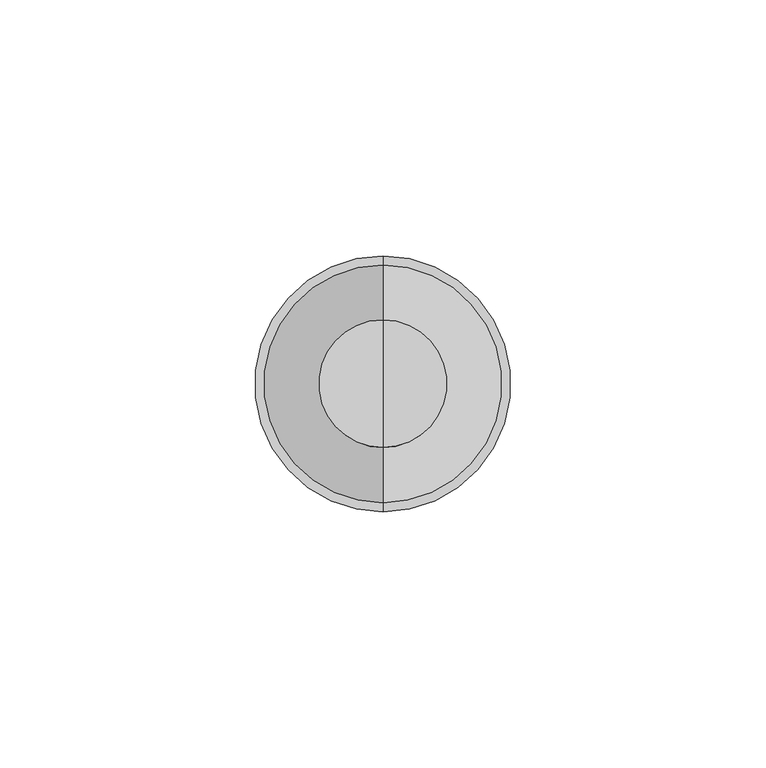
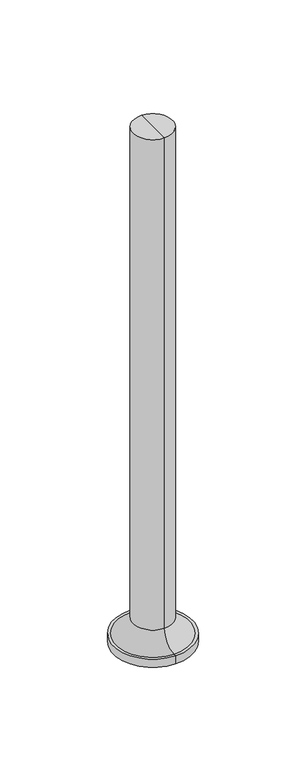
"""IFC4 building model written with IfcOpenShell, lengths in millimetres: furniture geometry."""

from ifc_helpers import new_model, si_unit, point, frame, origin, place, context, project, spatial, circle_curve, ellipse_curve, trimmed, source, transform, mapped, element, save
from ifc_brep_helpers import plane_surface, cylinder_surface, revolved_surface, advanced_brep


def furniture_17441bcd(model_context):
    return source(origin(), model_context, "Body", "AdvancedBrep", [
        advanced_brep(
        [(-542.9813638, 250.0000031, 0.0), (-542.9813638, 225.0000031, 0.0), (-542.9813638, 275.0000031, 0.0), (-542.9813638, 262.4715672, 344.8637637), (-542.9813638, 237.5284391, 344.8637637), (-542.9813638, 250.0000031, 344.8637637), (-542.9813638, 262.4715672, 16.2604994), (-542.9813638, 237.5284391, 16.2604994), (-542.9813638, 273.2294713, 5.5025953), (-542.9813638, 226.770535, 5.5025953), (-542.9813638, 275.0000031, 5.5025953), (-542.9813638, 225.0000031, 5.5025953)],
        [
            (0, 1),
            (1, 2, circle_curve(frame((-542.9813638, 250.0000031, 0.0), z_axis=(0.0, 0.0, -1.0), x_axis=(0.0, -1.0, 0.0)), 25.0)),
            (2, 0),
            (2, 1, circle_curve(frame((-542.9813638, 250.0000031, 0.0), z_axis=(0.0, 0.0, -1.0), x_axis=(0.0, -1.0, 0.0)), 25.0)),
            (3, 4, circle_curve(frame((-542.9813638, 250.0000031, 344.8637637), z_axis=(0.0, 0.0, 1.0), x_axis=(0.0, -1.0, 0.0)), 12.471564)),
            (4, 5),
            (5, 3),
            (4, 3, circle_curve(frame((-542.9813638, 250.0000031, 344.8637637), z_axis=(0.0, 0.0, 1.0), x_axis=(0.0, -1.0, 0.0)), 12.471564)),
            (6, 7, circle_curve(frame((-542.9813638, 250.0000031, 16.2604994), z_axis=(0.0, 0.0, 1.0), x_axis=(0.0, -1.0, 0.0)), 12.471564)),
            (7, 4),
            (3, 6),
            (7, 6, circle_curve(frame((-542.9813638, 250.0000031, 16.2604994), z_axis=(0.0, 0.0, 1.0), x_axis=(0.0, -1.0, 0.0)), 12.471564)),
            (8, 9, circle_curve(frame((-542.9813638, 250.0000031, 5.5025953), z_axis=(0.0, 0.0, 1.0), x_axis=(0.0, -1.0, 0.0)), 23.2294681)),
            (9, 7, circle_curve(frame((-542.9813638, 226.770535, 16.2604994), z_axis=(1.0, 0.0, 0.0), x_axis=(0.0, -1.0, 0.0)), 10.7579041)),
            (6, 8, circle_curve(frame((-542.9813638, 273.2294713, 16.2604994), z_axis=(1.0, 0.0, 0.0), x_axis=(0.0, 1.0, 0.0)), 10.7579041)),
            (9, 8, circle_curve(frame((-542.9813638, 250.0000031, 5.5025953), z_axis=(0.0, 0.0, 1.0), x_axis=(0.0, -1.0, 0.0)), 23.2294681)),
            (10, 11, circle_curve(frame((-542.9813638, 250.0000031, 5.5025953), z_axis=(0.0, 0.0, 1.0), x_axis=(0.0, -1.0, 0.0)), 25.0)),
            (11, 9),
            (8, 10),
            (11, 10, circle_curve(frame((-542.9813638, 250.0000031, 5.5025953), z_axis=(0.0, 0.0, 1.0), x_axis=(0.0, -1.0, 0.0)), 25.0)),
            (1, 11),
            (10, 2),
        ],
        [
            plane_surface(frame((-542.9813638, 250.0000031, 0.0), z_axis=(0.0, 0.0, -1.0), x_axis=(0.0, -1.0, 0.0))),
            plane_surface(frame((-542.9813638, 250.0000031, 344.8637637), z_axis=(0.0, 0.0, 1.0), x_axis=(0.0, -1.0, 0.0))),
            cylinder_surface(frame((-542.9813638, 250.0000031, 344.8637637), z_axis=(0.0, 0.0, -1.0), x_axis=(0.0, -1.0, 0.0)), 12.471564),
            revolved_surface(trimmed(ellipse_curve(frame((-542.9813638, 226.770535, 16.2604994), z_axis=(-1.0, 0.0, 0.0), x_axis=(0.0, -1.0, 0.0)), 10.7579041, 10.7579041), [point((-542.9813638, 237.5284391, 16.2604994))], [point((-542.9813638, 226.770535, 5.5025953))], True, "CARTESIAN"), (-542.9813638, 250.0000031, 344.8637637), (0.0, 0.0, -1.0)),
            plane_surface(frame((-542.9813638, 250.0000031, 5.5025953), z_axis=(0.0, 0.0, 1.0), x_axis=(0.0, -1.0, 0.0))),
            cylinder_surface(frame((-542.9813638, 250.0000031, 344.8637637), z_axis=(0.0, 0.0, -1.0), x_axis=(0.0, -1.0, 0.0)), 25.0),
        ],
        [
            (0, [[1, 2, 3]]),
            (0, [[-3, 4, -1]]),
            (1, [[5, 6, 7]]),
            (1, [[8, -7, -6]]),
            (2, [[9, 10, -5, 11]]),
            (2, [[12, -11, -8, -10]]),
            (3, [[13, 14, -9, 15]]),
            (3, [[16, -15, -12, -14]]),
            (4, [[17, 18, -13, 19]]),
            (4, [[20, -19, -16, -18]]),
            (5, [[-2, 21, -17, 22]]),
            (5, [[-4, -22, -20, -21]]),
        ],
    ),
    ])


if __name__ == "__main__":
    model = new_model("IFC4")
    model_context = context("Model", 3, world=origin())
    ifc_project = project(units=[si_unit("LENGTHUNIT", "METRE", prefix="MILLI")], contexts=[model_context])
    site = spatial("IfcSite", under=ifc_project)
    building = spatial("IfcBuilding", under=site)
    placement = place(None, origin())
    furniture_shape = furniture_17441bcd(model_context)
    element("IfcFurniture", 1, at=placement, inside=building, context=model_context, shape_type="MappedRepresentation", body=[
        mapped(furniture_shape, transform((0.0, 0.0, 0.0), x_axis=(1.0, 0.0, 0.0), y_axis=(0.0, 1.0, 0.0), z_axis=(0.0, 0.0, 1.0))),
    ])
    save(model, "model.ifc")
